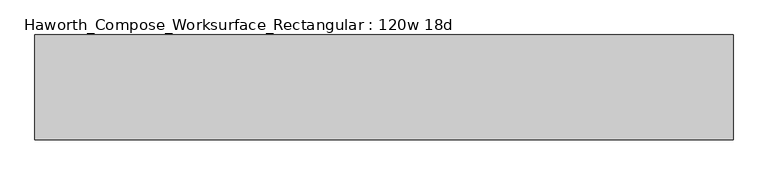
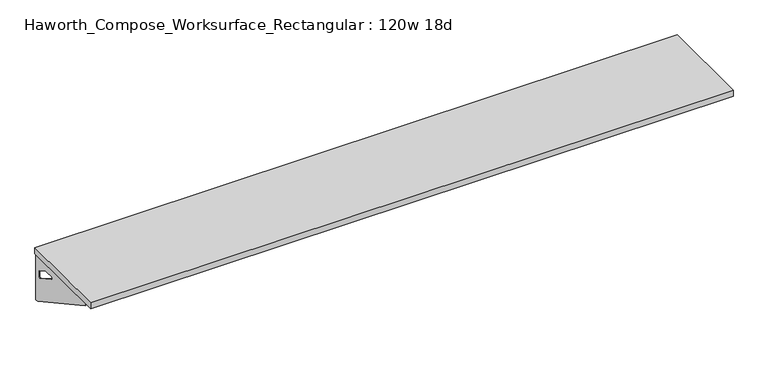
"""IFC4 building model written with IfcOpenShell, lengths in millimetres: furniture geometry, Haworth_Compose_Worksurface_Rectangular : 120w 18d."""

from ifc_helpers import new_model, si_unit, frame, origin, place, context, project, spatial, polyline, circle_curve, outline, extrude, source, transform, mapped, element, save
from ifc_brep_helpers import plane_surface, revolved_surface, advanced_brep


def haworth_compose_worksurface_rectangular_120w_18d_baed2c5d(model_context):
    return source(origin(), model_context, "Body", "SolidModel", [
        advanced_brep(
        [(1518.44375, 228.6, 475.45625), (1518.44375, 212.725, 475.45625), (1518.44375, -177.8, 691.7192568), (1518.44375, -177.8, 704.05625), (1518.44375, 212.725, 704.05625), (1518.44375, 228.6, 704.05625), (1518.44375, 145.290072, 665.95625), (1518.44375, 101.6355284, 665.95625), (1518.44375, 98.9564235, 656.3705539), (1518.44375, 190.6776173, 605.5776439), (1518.44375, 200.025, 611.1756969), (1518.44375, 200.025, 634.6860246), (1518.44375, 198.2730055, 637.5242776), (1518.44375, 148.3663437, 665.1613425), (1520.825, 228.6, 475.45625), (1520.825, 228.6, 704.05625), (1520.825, 212.725, 704.05625), (1520.825, 212.725, 706.4375), (1520.825, -177.8, 706.4375), (1520.825, -177.8, 691.7192568), (1520.825, 212.725, 475.45625), (1520.825, 145.290072, 665.95625), (1520.825, 148.3663437, 665.1613425), (1520.825, 198.2730055, 637.5242776), (1520.825, 200.025, 634.6860246), (1520.825, 200.025, 611.1756969), (1520.825, 190.6776173, 605.5776439), (1520.825, 98.9564235, 656.3705539), (1520.825, 101.6355284, 665.95625), (1479.55, -177.8, 706.4375), (1479.55, -177.8, 704.05625), (1479.55, 212.725, 704.05625), (1479.55, 212.725, 706.4375)],
        [
            (0, 1),
            (1, 2),
            (2, 3),
            (3, 4),
            (4, 5),
            (5, 0),
            (6, 7),
            (7, 8, circle_curve(frame((1518.44375, 101.6355284, 660.7890106), z_axis=(1.0, 0.0, 0.0), x_axis=(0.0, -1.0, 0.0)), 5.1672394)),
            (8, 9),
            (9, 10, circle_curve(frame((1518.44375, 193.675, 611.1756969), z_axis=(1.0, 0.0, 0.0), x_axis=(0.0, -1.0, 0.0)), 6.35)),
            (10, 11),
            (11, 12, circle_curve(frame((1518.44375, 196.85, 634.6860246), z_axis=(1.0, 0.0, 0.0), x_axis=(0.0, -1.0, 0.0)), 3.175)),
            (12, 13),
            (13, 6, circle_curve(frame((1518.44375, 145.290072, 659.60625), z_axis=(1.0, 0.0, 0.0), x_axis=(0.0, -1.0, 0.0)), 6.35)),
            (14, 15),
            (15, 16),
            (16, 17),
            (17, 18),
            (18, 19),
            (19, 20),
            (20, 14),
            (21, 22, circle_curve(frame((1520.825, 145.290072, 659.60625), z_axis=(-1.0, 0.0, 0.0), x_axis=(0.0, -1.0, 0.0)), 6.35)),
            (22, 23),
            (23, 24, circle_curve(frame((1520.825, 196.85, 634.6860246), z_axis=(-1.0, 0.0, 0.0), x_axis=(0.0, -1.0, 0.0)), 3.175)),
            (24, 25),
            (25, 26, circle_curve(frame((1520.825, 193.675, 611.1756969), z_axis=(-1.0, 0.0, 0.0), x_axis=(0.0, -1.0, 0.0)), 6.35)),
            (26, 27),
            (27, 28, circle_curve(frame((1520.825, 101.6355284, 660.7890106), z_axis=(-1.0, 0.0, 0.0), x_axis=(0.0, -1.0, 0.0)), 5.1672394)),
            (28, 21),
            (4, 16),
            (15, 5),
            (14, 0),
            (20, 1),
            (19, 2),
            (18, 29),
            (29, 30),
            (30, 3),
            (6, 21),
            (28, 7),
            (9, 26),
            (25, 10),
            (24, 11),
            (23, 12),
            (27, 8),
            (31, 4),
            (30, 31),
            (32, 29),
            (17, 32),
            (31, 32),
            (22, 13),
        ],
        [
            plane_surface(frame((1518.44375, 228.6, 475.45625), z_axis=(-1.0, 0.0, 0.0), x_axis=(0.0, 1.0, 0.0))),
            plane_surface(frame((1520.825, 228.6, 475.45625), z_axis=(1.0, 0.0, 0.0), x_axis=(0.0, -1.0, 0.0))),
            plane_surface(frame((1520.825, -177.8, 704.05625), z_axis=(0.0, 0.0, 1.0), x_axis=(-1.0, 0.0, 0.0))),
            plane_surface(frame((1520.825, 228.6, 704.05625), z_axis=(0.0, 1.0, 0.0), x_axis=(-1.0, 0.0, 0.0))),
            plane_surface(frame((1520.825, 228.6, 475.45625), z_axis=(0.0, 0.0, -1.0), x_axis=(-1.0, 0.0, 0.0))),
            plane_surface(frame((1520.825, 212.725, 475.45625), z_axis=(0.0, -0.48445223513455843, -0.8748177135112952), x_axis=(-1.0, 0.0, 0.0))),
            plane_surface(frame((1520.825, -177.8, 691.7192568), z_axis=(0.0, -1.0, 0.0), x_axis=(-1.0, 0.0, 0.0))),
            plane_surface(frame((1520.825, 145.290072, 665.95625), z_axis=(0.0, 0.0, -1.0), x_axis=(-1.0, 0.0, 0.0))),
            revolved_surface(polyline([(1518.44375, 187.32500000000002, 611.1756969), (1520.825, 187.32500000000002, 611.1756969)]), (1520.825, 193.675, 611.1756969), (-1.0, 0.0, 0.0)),
            plane_surface(frame((1520.825, 200.025, 611.1756969), z_axis=(0.0, -1.0, 0.0), x_axis=(-1.0, 0.0, 0.0))),
            revolved_surface(polyline([(1518.44375, 193.67499999999998, 634.6860246), (1520.825, 193.67499999999998, 634.6860246)]), (1520.825, 196.85, 634.6860246), (-1.0, 0.0, 0.0)),
            revolved_surface(polyline([(1518.44375, 96.468289, 660.7890106), (1520.825, 96.468289, 660.7890106)]), (1520.825, 101.6355284, 660.7890106), (-1.0, 0.0, 0.0)),
            plane_surface(frame((1520.825, 212.725, 704.05625), z_axis=(0.0, 0.0, -1.0), x_axis=(-1.0, 0.0, 0.0))),
            plane_surface(frame((1520.825, 212.725, 706.4375), z_axis=(0.0, 0.0, 1.0), x_axis=(1.0, 0.0, 0.0))),
            plane_surface(frame((1479.55, 212.725, 706.4375), z_axis=(0.0, 1.0, 0.0), x_axis=(0.0, 0.0, -1.0))),
            plane_surface(frame((1479.55, -177.8, 706.4375), z_axis=(-1.0, 0.0, 0.0), x_axis=(0.0, 0.0, -1.0))),
            plane_surface(frame((1520.825, 98.9564235, 656.3705539), z_axis=(0.0, 0.4844522351345583, 0.8748177135112953), x_axis=(-1.0, 0.0, 0.0))),
            plane_surface(frame((1520.825, 198.2730055, 637.5242776), z_axis=(0.0, -0.4844522351345582, -0.8748177135112953), x_axis=(-1.0, 0.0, 0.0))),
            revolved_surface(polyline([(1518.44375, 138.94007200000001, 659.60625), (1520.825, 138.94007200000001, 659.60625)]), (1520.825, 145.290072, 659.60625), (-1.0, 0.0, 0.0)),
        ],
        [
            (0, [[1, 2, 3, 4, 5, 6], [7, 8, 9, 10, 11, 12, 13, 14]]),
            (1, [[15, 16, 17, 18, 19, 20, 21], [22, 23, 24, 25, 26, 27, 28, 29]]),
            (2, [[-5, 30, -16, 31]]),
            (3, [[-31, -15, 32, -6]]),
            (4, [[-32, -21, 33, -1]]),
            (5, [[-33, -20, 34, -2]]),
            (6, [[-34, -19, 35, 36, 37, -3]]),
            (7, [[38, -29, 39, -7]]),
            (8, [[40, -26, 41, -10]]),
            (9, [[-41, -25, 42, -11]]),
            (10, [[-42, -24, 43, -12]]),
            (11, [[-39, -28, 44, -8]]),
            (12, [[45, -4, -37, 46]]),
            (13, [[47, -35, -18, 48]]),
            (14, [[-17, -30, -45, 49, -48]]),
            (15, [[-36, -47, -49, -46]]),
            (16, [[-44, -27, -40, -9]]),
            (17, [[-43, -23, 50, -13]]),
            (18, [[-50, -22, -38, -14]]),
        ],
    ),
        advanced_brep(
        [(-1518.44375, 228.6, 475.45625), (-1518.44375, 228.6, 704.05625), (-1518.44375, 212.725, 704.05625), (-1518.44375, -177.8, 704.05625), (-1518.44375, -177.8, 691.7192568), (-1518.44375, 212.725, 475.45625), (-1518.44375, 145.290072, 665.95625), (-1518.44375, 148.3663437, 665.1613425), (-1518.44375, 198.2730055, 637.5242776), (-1518.44375, 200.025, 634.6860246), (-1518.44375, 200.025, 611.1756969), (-1518.44375, 190.6776173, 605.5776439), (-1518.44375, 98.9564235, 656.3705539), (-1518.44375, 101.6355284, 665.95625), (-1520.825, 228.6, 475.45625), (-1520.825, 212.725, 475.45625), (-1520.825, -177.8, 691.7192568), (-1520.825, -177.8, 706.4375), (-1520.825, 212.725, 706.4375), (-1520.825, 212.725, 704.05625), (-1520.825, 228.6, 704.05625), (-1520.825, 145.290072, 665.95625), (-1520.825, 101.6355284, 665.95625), (-1520.825, 98.9564235, 656.3705539), (-1520.825, 190.6776173, 605.5776439), (-1520.825, 200.025, 611.1756969), (-1520.825, 200.025, 634.6860246), (-1520.825, 198.2730055, 637.5242776), (-1520.825, 148.3663437, 665.1613425), (-1479.55, -177.8, 704.05625), (-1479.55, -177.8, 706.4375), (-1479.55, 212.725, 704.05625), (-1479.55, 212.725, 706.4375)],
        [
            (0, 1),
            (1, 2),
            (2, 3),
            (3, 4),
            (4, 5),
            (5, 0),
            (6, 7, circle_curve(frame((-1518.44375, 145.290072, 659.60625), z_axis=(-1.0, 0.0, 0.0), x_axis=(0.0, -1.0, 0.0)), 6.35)),
            (7, 8),
            (8, 9, circle_curve(frame((-1518.44375, 196.85, 634.6860246), z_axis=(-1.0, 0.0, 0.0), x_axis=(0.0, -1.0, 0.0)), 3.175)),
            (9, 10),
            (10, 11, circle_curve(frame((-1518.44375, 193.675, 611.1756969), z_axis=(-1.0, 0.0, 0.0), x_axis=(0.0, -1.0, 0.0)), 6.35)),
            (11, 12),
            (12, 13, circle_curve(frame((-1518.44375, 101.6355284, 660.7890106), z_axis=(-1.0, 0.0, 0.0), x_axis=(0.0, -1.0, 0.0)), 5.1672394)),
            (13, 6),
            (14, 15),
            (15, 16),
            (16, 17),
            (17, 18),
            (18, 19),
            (19, 20),
            (20, 14),
            (21, 22),
            (22, 23, circle_curve(frame((-1520.825, 101.6355284, 660.7890106), z_axis=(1.0, 0.0, 0.0), x_axis=(0.0, -1.0, 0.0)), 5.1672394)),
            (23, 24),
            (24, 25, circle_curve(frame((-1520.825, 193.675, 611.1756969), z_axis=(1.0, 0.0, 0.0), x_axis=(0.0, -1.0, 0.0)), 6.35)),
            (25, 26),
            (26, 27, circle_curve(frame((-1520.825, 196.85, 634.6860246), z_axis=(1.0, 0.0, 0.0), x_axis=(0.0, -1.0, 0.0)), 3.175)),
            (27, 28),
            (28, 21, circle_curve(frame((-1520.825, 145.290072, 659.60625), z_axis=(1.0, 0.0, 0.0), x_axis=(0.0, -1.0, 0.0)), 6.35)),
            (1, 20),
            (19, 2),
            (0, 14),
            (5, 15),
            (4, 16),
            (3, 29),
            (29, 30),
            (30, 17),
            (13, 22),
            (21, 6),
            (10, 25),
            (24, 11),
            (9, 26),
            (8, 27),
            (12, 23),
            (31, 29),
            (2, 31),
            (32, 18),
            (30, 32),
            (32, 31),
            (7, 28),
        ],
        [
            plane_surface(frame((-1518.44375, 228.6, 475.45625), z_axis=(1.0, 0.0, 0.0), x_axis=(0.0, 1.0, 0.0))),
            plane_surface(frame((-1520.825, 228.6, 475.45625), z_axis=(-1.0, 0.0, 0.0), x_axis=(0.0, -1.0, 0.0))),
            plane_surface(frame((-1520.825, -177.8, 704.05625), z_axis=(0.0, 0.0, 1.0), x_axis=(1.0, 0.0, 0.0))),
            plane_surface(frame((-1520.825, 228.6, 704.05625), z_axis=(0.0, 1.0, 0.0), x_axis=(1.0, 0.0, 0.0))),
            plane_surface(frame((-1520.825, 228.6, 475.45625), z_axis=(0.0, 0.0, -1.0), x_axis=(1.0, 0.0, 0.0))),
            plane_surface(frame((-1520.825, 212.725, 475.45625), z_axis=(0.0, -0.48445223513455843, -0.8748177135112952), x_axis=(1.0, 0.0, 0.0))),
            plane_surface(frame((-1520.825, -177.8, 691.7192568), z_axis=(0.0, -1.0, 0.0), x_axis=(1.0, 0.0, 0.0))),
            plane_surface(frame((-1520.825, 145.290072, 665.95625), z_axis=(0.0, 0.0, -1.0), x_axis=(1.0, 0.0, 0.0))),
            revolved_surface(polyline([(-1518.44375, 187.32500000000002, 611.1756969), (-1520.825, 187.32500000000002, 611.1756969)]), (-1520.825, 193.675, 611.1756969), (1.0, 0.0, 0.0)),
            plane_surface(frame((-1520.825, 200.025, 611.1756969), z_axis=(0.0, -1.0, 0.0), x_axis=(1.0, 0.0, 0.0))),
            revolved_surface(polyline([(-1518.44375, 193.67499999999998, 634.6860246), (-1520.825, 193.67499999999998, 634.6860246)]), (-1520.825, 196.85, 634.6860246), (1.0, 0.0, 0.0)),
            revolved_surface(polyline([(-1518.44375, 96.468289, 660.7890106), (-1520.825, 96.468289, 660.7890106)]), (-1520.825, 101.6355284, 660.7890106), (1.0, 0.0, 0.0)),
            plane_surface(frame((-1520.825, 212.725, 704.05625), z_axis=(0.0, 0.0, -1.0), x_axis=(1.0, 0.0, 0.0))),
            plane_surface(frame((-1520.825, 212.725, 706.4375), z_axis=(0.0, 0.0, 1.0), x_axis=(-1.0, 0.0, 0.0))),
            plane_surface(frame((-1479.55, 212.725, 706.4375), z_axis=(0.0, 1.0, 0.0), x_axis=(0.0, 0.0, -1.0))),
            plane_surface(frame((-1479.55, -177.8, 706.4375), z_axis=(1.0, 0.0, 0.0), x_axis=(0.0, 0.0, -1.0))),
            plane_surface(frame((-1520.825, 98.9564235, 656.3705539), z_axis=(0.0, 0.4844522351345583, 0.8748177135112953), x_axis=(1.0, 0.0, 0.0))),
            plane_surface(frame((-1520.825, 198.2730055, 637.5242776), z_axis=(0.0, -0.4844522351345582, -0.8748177135112953), x_axis=(1.0, 0.0, 0.0))),
            revolved_surface(polyline([(-1518.44375, 138.94007200000001, 659.60625), (-1520.825, 138.94007200000001, 659.60625)]), (-1520.825, 145.290072, 659.60625), (1.0, 0.0, 0.0)),
        ],
        [
            (0, [[1, 2, 3, 4, 5, 6], [7, 8, 9, 10, 11, 12, 13, 14]]),
            (1, [[15, 16, 17, 18, 19, 20, 21], [22, 23, 24, 25, 26, 27, 28, 29]]),
            (2, [[30, -20, 31, -2]]),
            (3, [[-1, 32, -21, -30]]),
            (4, [[-6, 33, -15, -32]]),
            (5, [[-5, 34, -16, -33]]),
            (6, [[-4, 35, 36, 37, -17, -34]]),
            (7, [[-14, 38, -22, 39]]),
            (8, [[-11, 40, -25, 41]]),
            (9, [[-10, 42, -26, -40]]),
            (10, [[-9, 43, -27, -42]]),
            (11, [[-13, 44, -23, -38]]),
            (12, [[45, -35, -3, 46]]),
            (13, [[47, -18, -37, 48]]),
            (14, [[-47, 49, -46, -31, -19]]),
            (15, [[-45, -49, -48, -36]]),
            (16, [[-12, -41, -24, -44]]),
            (17, [[-8, 50, -28, -43]]),
            (18, [[-7, -39, -29, -50]]),
        ],
    ),
        extrude(outline(polyline([(1524.0, 228.6), (1524.0, -228.6), (-1524.0, -228.6), (-1524.0, 228.6), (1524.0, 228.6)])), frame((0.0, 0.0, 706.4375), z_axis=(0.0, 0.0, 1.0), x_axis=(1.0, 0.0, 0.0)), (0.0, 0.0, 1.0), 30.1625),
    ])


if __name__ == "__main__":
    model = new_model("IFC4")
    model_context = context("Model", 3, world=origin())
    ifc_project = project(units=[si_unit("LENGTHUNIT", "METRE", prefix="MILLI")], contexts=[model_context])
    site = spatial("IfcSite", under=ifc_project)
    building = spatial("IfcBuilding", under=site)
    placement = place(None, origin())
    haworth_compose_worksurface_rectangular_120w_18d_shape = haworth_compose_worksurface_rectangular_120w_18d_baed2c5d(model_context)
    element("IfcFurniture", 1, ObjectType="Haworth_Compose_Worksurface_Rectangular : 120w 18d", at=placement, inside=building, context=model_context, shape_type="MappedRepresentation", body=[
        mapped(haworth_compose_worksurface_rectangular_120w_18d_shape, transform((0.0, 0.0, 0.0), x_axis=(1.0, 0.0, 0.0), y_axis=(0.0, 1.0, 0.0), z_axis=(0.0, 0.0, 1.0))),
    ])
    save(model, "model.ifc")
